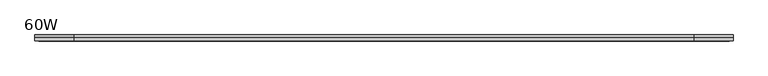
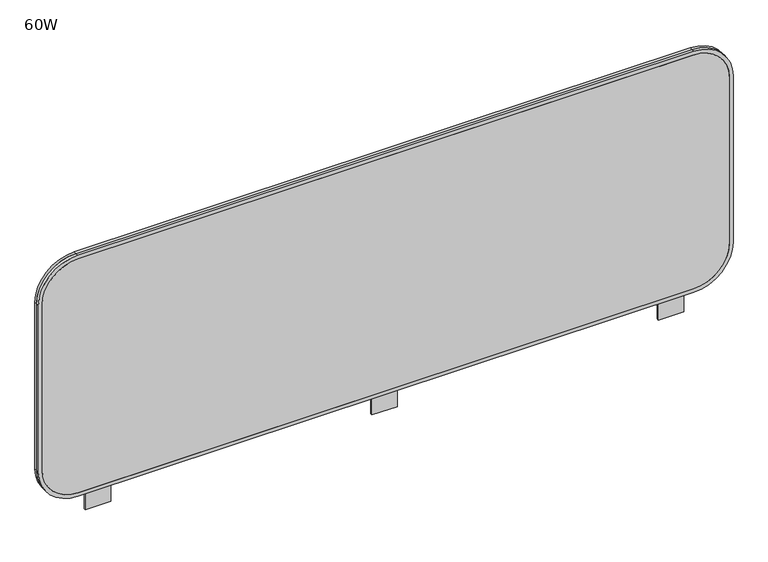
"""IFC4 building model written with IfcOpenShell, lengths in millimetres: furniture geometry, 60W."""

from ifc_helpers import new_model, si_unit, point, frame, frame_2d, origin, place, context, project, spatial, polyline, circle_curve, trimmed, segment, composite_curve, outline, extrude, source, transform, mapped, element, save


def furniture_60w_38104299(model_context):
    return source(origin(), model_context, "Body", "SweptSolid", [
        extrude(outline(polyline([(-27.78125, 3.007879), (27.78125, 3.007879), (27.78125, -1.749012), (-27.78125, -1.749012), (-27.78125, 3.007879)])), frame((0.0, 0.0, 467.36), z_axis=(0.0, 0.0, 1.0), x_axis=(1.0, 0.0, 0.0)), (0.0, 0.0, 1.0), 40.64),
        extrude(outline(polyline([(-656.59, 3.007879), (-600.71, 3.007879), (-600.71, -1.749012), (-656.59, -1.749012), (-656.59, 3.007879)])), frame((0.0, 0.0, 467.36), z_axis=(0.0, 0.0, 1.0), x_axis=(1.0, 0.0, 0.0)), (0.0, 0.0, 1.0), 40.64),
        extrude(outline(polyline([(656.59, -1.749012), (600.71, -1.749012), (600.71, 3.007879), (656.59, 3.007879), (656.59, -1.749012)])), frame((0.0, 0.0, 467.36), z_axis=(0.0, 0.0, 1.0), x_axis=(1.0, 0.0, 0.0)), (0.0, 0.0, 1.0), 40.64),
        extrude(outline(composite_curve([segment(trimmed(circle_curve(frame_2d((979.7198754, -674.8623469)), 78.6981246), [point((1058.418, -674.8623469))], [point((979.7198754, -753.5604715))], False, "CARTESIAN"), True, "CONTINUOUS"), segment(polyline([(979.7198754, -753.5604715), (595.1796738, -753.5604715)]), True, "CONTINUOUS"), segment(trimmed(circle_curve(frame_2d((595.1796738, -674.8209802)), 78.7394913), [point((595.1796738, -753.5604715))], [point((516.4401825, -674.8209802))], False, "CARTESIAN"), True, "CONTINUOUS"), segment(polyline([(516.4401825, -674.8209802), (516.4401825, 674.8209802)]), True, "CONTINUOUS"), segment(trimmed(circle_curve(frame_2d((595.1796738, 674.8209802)), 78.7394913), [point((516.4401825, 674.8209802))], [point((595.1796738, 753.5604715))], False, "CARTESIAN"), True, "CONTINUOUS"), segment(polyline([(595.1796738, 753.5604715), (979.7198754, 753.5604715)]), True, "CONTINUOUS"), segment(trimmed(circle_curve(frame_2d((979.7198754, 674.8623469)), 78.6981246), [point((979.7198754, 753.5604715))], [point((1058.418, 674.8623469))], False, "CARTESIAN"), True, "CONTINUOUS"), segment(polyline([(1058.418, 674.8623469), (1058.418, -674.8623469)]), True, "CONTINUOUS")], self_intersect=False)), frame((0.0, -6.0007751, 0.0), z_axis=(0.0, 1.0, 0.0), x_axis=(0.0, 0.0, 1.0)), (0.0, 0.0, 1.0), 6.6302155),
        extrude(outline(composite_curve([segment(polyline([(1066.8, 675.6405087), (1066.8, -675.6405087)]), True, "CONTINUOUS"), segment(trimmed(circle_curve(frame_2d((980.4405087, -675.6405087)), 86.3594913), [point((1066.8, -675.6405087))], [point((980.4405087, -762.0))], False, "CARTESIAN"), True, "CONTINUOUS"), segment(polyline([(980.4405087, -762.0), (594.3594913, -762.0)]), True, "CONTINUOUS"), segment(trimmed(circle_curve(frame_2d((594.3594913, -675.6405087)), 86.3594913), [point((594.3594913, -762.0))], [point((508.0, -675.6405087))], False, "CARTESIAN"), True, "CONTINUOUS"), segment(polyline([(508.0, -675.6405087), (508.0, 675.6405087)]), True, "CONTINUOUS"), segment(trimmed(circle_curve(frame_2d((594.3594913, 675.6405087)), 86.3594913), [point((508.0, 675.6405087))], [point((594.3594913, 762.0))], False, "CARTESIAN"), True, "CONTINUOUS"), segment(polyline([(594.3594913, 762.0), (980.4405087, 762.0)]), True, "CONTINUOUS"), segment(trimmed(circle_curve(frame_2d((980.4405087, 675.6405087)), 86.3594913), [point((980.4405087, 762.0))], [point((1066.8, 675.6405087))], False, "CARTESIAN"), True, "CONTINUOUS")], self_intersect=False), holes=[composite_curve([segment(polyline([(516.4401825, 674.8209802), (516.4401825, -674.8209802)]), True, "CONTINUOUS"), segment(trimmed(circle_curve(frame_2d((595.1796738, -674.8209802)), 78.7394913), [point((516.4401825, -674.8209802))], [point((595.1796738, -753.5604715))], True, "CARTESIAN"), True, "CONTINUOUS"), segment(polyline([(595.1796738, -753.5604715), (979.7198754, -753.5604715)]), True, "CONTINUOUS"), segment(trimmed(circle_curve(frame_2d((979.7198754, -674.8623469)), 78.6981246), [point((979.7198754, -753.5604715))], [point((1058.418, -674.8623469))], True, "CARTESIAN"), True, "CONTINUOUS"), segment(polyline([(1058.418, -674.8623469), (1058.418, 674.8623469)]), True, "CONTINUOUS"), segment(trimmed(circle_curve(frame_2d((979.7198754, 674.8623469)), 78.6981246), [point((1058.418, 674.8623469))], [point((979.7198754, 753.5604715))], True, "CARTESIAN"), True, "CONTINUOUS"), segment(polyline([(979.7198754, 753.5604715), (595.1796738, 753.5604715)]), True, "CONTINUOUS"), segment(trimmed(circle_curve(frame_2d((595.1796738, 674.8209802)), 78.7394913), [point((595.1796738, 753.5604715))], [point((516.4401825, 674.8209802))], True, "CARTESIAN"), True, "CONTINUOUS")], self_intersect=False)]), frame((0.0, -6.0007751, 0.0), z_axis=(0.0, 1.0, 0.0), x_axis=(0.0, 0.0, 1.0)), (0.0, 0.0, 1.0), 6.6302155),
        extrude(outline(composite_curve([segment(trimmed(circle_curve(frame_2d((595.1796738, 674.8209802)), 78.7394913), [point((516.4401825, 674.8209802))], [point((595.1796738, 753.5604715))], False, "CARTESIAN"), True, "CONTINUOUS"), segment(polyline([(595.1796738, 753.5604715), (979.7198754, 753.5604715)]), True, "CONTINUOUS"), segment(trimmed(circle_curve(frame_2d((979.7198754, 674.8623469)), 78.6981246), [point((979.7198754, 753.5604715))], [point((1058.418, 674.8623469))], False, "CARTESIAN"), True, "CONTINUOUS"), segment(polyline([(1058.418, 674.8623469), (1058.418, -674.9281585)]), True, "CONTINUOUS"), segment(trimmed(circle_curve(frame_2d((979.785687, -674.9281585)), 78.632313), [point((1058.418, -674.9281585))], [point((979.785687, -753.5604715))], False, "CARTESIAN"), True, "CONTINUOUS"), segment(polyline([(979.785687, -753.5604715), (595.1796738, -753.5604715)]), True, "CONTINUOUS"), segment(trimmed(circle_curve(frame_2d((595.1796738, -674.8209802)), 78.7394913), [point((595.1796738, -753.5604715))], [point((516.4401825, -674.8209802))], False, "CARTESIAN"), True, "CONTINUOUS"), segment(polyline([(516.4401825, -674.8209802), (516.4401825, 674.8209802)]), True, "CONTINUOUS")], self_intersect=False)), frame((0.0, 0.6294403, 0.0), z_axis=(0.0, 1.0, 0.0), x_axis=(0.0, 0.0, 1.0)), (0.0, 0.0, 1.0), 6.6302155),
        extrude(outline(composite_curve([segment(polyline([(1066.8, 675.6405087), (1066.8, -675.6405087)]), True, "CONTINUOUS"), segment(trimmed(circle_curve(frame_2d((980.4405087, -675.6405087)), 86.3594913), [point((1066.8, -675.6405087))], [point((980.4405087, -762.0))], False, "CARTESIAN"), True, "CONTINUOUS"), segment(polyline([(980.4405087, -762.0), (594.3594913, -762.0)]), True, "CONTINUOUS"), segment(trimmed(circle_curve(frame_2d((594.3594913, -675.6405087)), 86.3594913), [point((594.3594913, -762.0))], [point((508.0, -675.6405087))], False, "CARTESIAN"), True, "CONTINUOUS"), segment(polyline([(508.0, -675.6405087), (508.0, 675.6405087)]), True, "CONTINUOUS"), segment(trimmed(circle_curve(frame_2d((594.3594913, 675.6405087)), 86.3594913), [point((508.0, 675.6405087))], [point((594.3594913, 762.0))], False, "CARTESIAN"), True, "CONTINUOUS"), segment(polyline([(594.3594913, 762.0), (980.4405087, 762.0)]), True, "CONTINUOUS"), segment(trimmed(circle_curve(frame_2d((980.4405087, 675.6405087)), 86.3594913), [point((980.4405087, 762.0))], [point((1066.8, 675.6405087))], False, "CARTESIAN"), True, "CONTINUOUS")], self_intersect=False), holes=[composite_curve([segment(polyline([(516.4401825, 674.8209802), (516.4401825, -674.8209802)]), True, "CONTINUOUS"), segment(trimmed(circle_curve(frame_2d((595.1796738, -674.8209802)), 78.7394913), [point((516.4401825, -674.8209802))], [point((595.1796738, -753.5604715))], True, "CARTESIAN"), True, "CONTINUOUS"), segment(polyline([(595.1796738, -753.5604715), (979.7198754, -753.5604715)]), True, "CONTINUOUS"), segment(trimmed(circle_curve(frame_2d((979.7198754, -674.8623469)), 78.6981246), [point((979.7198754, -753.5604715))], [point((1058.418, -674.8623469))], True, "CARTESIAN"), True, "CONTINUOUS"), segment(polyline([(1058.418, -674.8623469), (1058.418, 674.8623469)]), True, "CONTINUOUS"), segment(trimmed(circle_curve(frame_2d((979.7198754, 674.8623469)), 78.6981246), [point((1058.418, 674.8623469))], [point((979.7198754, 753.5604715))], True, "CARTESIAN"), True, "CONTINUOUS"), segment(polyline([(979.7198754, 753.5604715), (595.1796738, 753.5604715)]), True, "CONTINUOUS"), segment(trimmed(circle_curve(frame_2d((595.1796738, 674.8209802)), 78.7394913), [point((595.1796738, 753.5604715))], [point((516.4401825, 674.8209802))], True, "CARTESIAN"), True, "CONTINUOUS")], self_intersect=False)]), frame((0.0, 0.6294403, 0.0), z_axis=(0.0, 1.0, 0.0), x_axis=(0.0, 0.0, 1.0)), (0.0, 0.0, 1.0), 6.6302155),
    ])


if __name__ == "__main__":
    model = new_model("IFC4")
    model_context = context("Model", 3, world=origin())
    ifc_project = project(units=[si_unit("LENGTHUNIT", "METRE", prefix="MILLI")], contexts=[model_context])
    site = spatial("IfcSite", under=ifc_project)
    building = spatial("IfcBuilding", under=site)
    placement = place(None, origin())
    furniture_60w_shape = furniture_60w_38104299(model_context)
    element("IfcFurniture", 1, ObjectType="60W", at=placement, inside=building, context=model_context, shape_type="MappedRepresentation", body=[
        mapped(furniture_60w_shape, transform((0.0, 0.0, 0.0), x_axis=(1.0, 0.0, 0.0), y_axis=(0.0, 1.0, 0.0), z_axis=(0.0, 0.0, 1.0))),
    ])
    save(model, "model.ifc")
